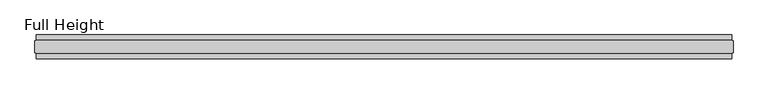
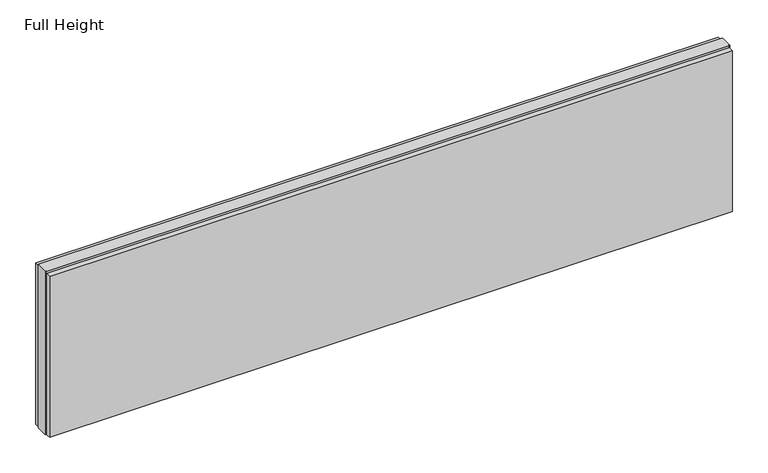
"""IFC4 building model written with IfcOpenShell, lengths in millimetres: plate geometry, Full Height."""

from ifc_helpers import new_model, si_unit, origin, origin_with_axes, place, context, project, spatial, polyline, outline, extrude, source, transform, mapped, element, save


def full_height_d2bff6de(model_context):
    return source(origin(), model_context, "Body", "SweptSolid", [
        extrude(outline(polyline([(1443.228, -28.956), (1443.228, -49.53), (-1443.228, -49.53), (-1443.228, -28.956), (1443.228, -28.956)])), origin_with_axes(), (0.0, 0.0, 1.0), 720.852),
        extrude(outline(polyline([(1443.228, 28.956), (-1443.228, 28.956), (-1443.228, 49.53), (1443.228, 49.53), (1443.228, 28.956)])), origin_with_axes(), (0.0, 0.0, 1.0), 720.852),
        extrude(outline(polyline([(1443.228, 25.146), (1447.8, 25.146), (1447.8, -25.146), (1443.228, -25.146), (1443.228, -26.67), (-1443.228, -26.67), (-1443.228, -25.146), (-1447.8, -25.146), (-1447.8, 25.146), (-1443.228, 25.146), (-1443.228, 26.67), (1443.228, 26.67), (1443.228, 25.146)])), origin_with_axes(), (0.0, 0.0, 1.0), 729.996),
    ])


if __name__ == "__main__":
    model = new_model("IFC4")
    model_context = context("Model", 3, world=origin())
    ifc_project = project(units=[si_unit("LENGTHUNIT", "METRE", prefix="MILLI")], contexts=[model_context])
    site = spatial("IfcSite", under=ifc_project)
    building = spatial("IfcBuilding", under=site)
    placement = place(None, origin())
    full_height_shape = full_height_d2bff6de(model_context)
    element("IfcPlate", 1, ObjectType="Full Height", at=placement, inside=building, context=model_context, shape_type="MappedRepresentation", body=[
        mapped(full_height_shape, transform((0.0, 0.0, 0.0), x_axis=(1.0, 0.0, 0.0), y_axis=(0.0, 1.0, 0.0), z_axis=(0.0, 0.0, 1.0))),
    ])
    save(model, "model.ifc")
